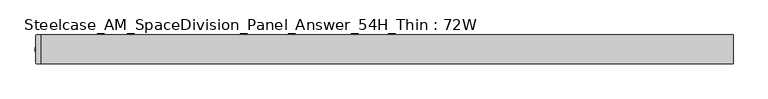
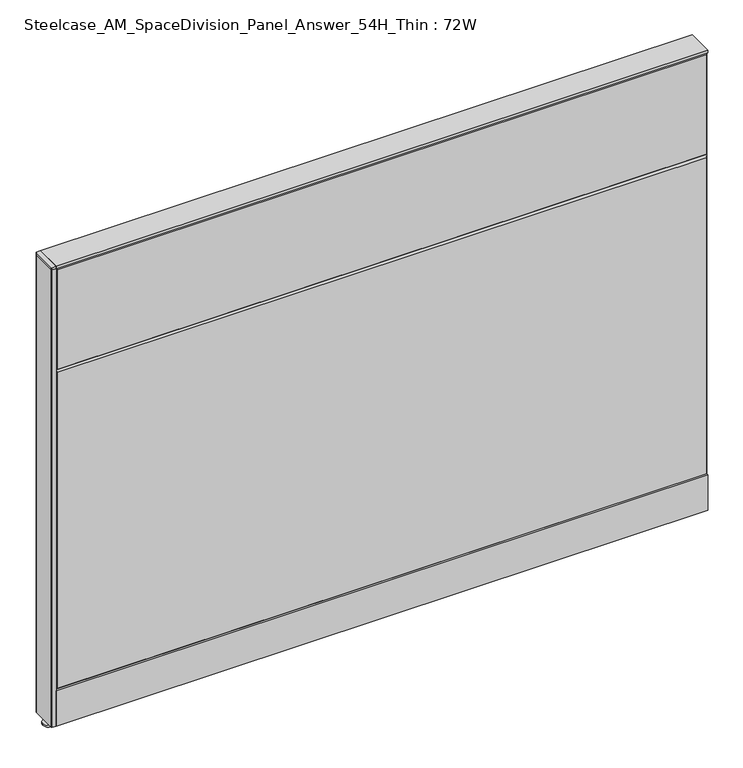
"""IFC4 building model written with IfcOpenShell, lengths in millimetres: furniture geometry, Steelcase_AM_SpaceDivision_Panel_Answer_54H_Thin : 72W."""

from ifc_helpers import new_model, si_unit, point, frame, frame_2d, origin, place, context, project, spatial, polyline, circle_curve, trimmed, segment, composite_curve, outline, extrude, faceted_brep, source, transform, mapped, element, save


def steelcase_am_spacedivision_panel_answer_54h_thin_72w_fabc834c(model_context):
    return source(origin(), model_context, "Body", "SolidModel", [
        extrude(outline(polyline([(37.3075215, 119.8575157), (25.4000011, 119.8575157), (25.4000011, 120.65), (38.1000194, 120.65), (38.1000194, 15.494), (37.3075215, 15.494), (37.3075215, 119.8575157)])), frame((-914.4, 0.0, 0.0), z_axis=(1.0, 0.0, 0.0), x_axis=(0.0, 1.0, 0.0)), (0.0, 0.0, 1.0), 1828.8),
        extrude(outline(polyline([(-37.3075215, 119.8575157), (-37.3075215, 15.494), (-38.1000194, 15.494), (-38.1000194, 120.65), (-25.4000011, 120.65), (-25.4000011, 119.8575157), (-37.3075215, 119.8575157)])), frame((-914.4, 0.0, 0.0), z_axis=(1.0, 0.0, 0.0), x_axis=(0.0, 1.0, 0.0)), (0.0, 0.0, 1.0), 1828.8),
        extrude(outline(composite_curve([segment(trimmed(circle_curve(frame_2d((-914.4, -1.94e-05)), 5.08), [point((-919.48, -1.94e-05))], [point((-909.32, -1.94e-05))], False, "CARTESIAN"), True, "CONTINUOUS"), segment(trimmed(circle_curve(frame_2d((-914.4, -1.94e-05)), 5.08), [point((-909.32, -1.94e-05))], [point((-919.48, -1.94e-05))], False, "CARTESIAN"), True, "CONTINUOUS")], self_intersect=False)), frame((0.0, 0.0, 5.0799671), z_axis=(0.0, 0.0, 1.0), x_axis=(1.0, 0.0, 0.0)), (0.0, 0.0, 1.0), 10.414),
        extrude(outline(composite_curve([segment(trimmed(circle_curve(frame_2d((-914.4, -1.94e-05)), 15.24), [point((-929.64, -1.94e-05))], [point((-899.16, -1.94e-05))], False, "CARTESIAN"), True, "CONTINUOUS"), segment(trimmed(circle_curve(frame_2d((-914.4, -1.94e-05)), 15.24), [point((-899.16, -1.94e-05))], [point((-929.64, -1.94e-05))], False, "CARTESIAN"), True, "CONTINUOUS")], self_intersect=False)), frame((0.0, 0.0, -3.29e-05), z_axis=(0.0, 0.0, 1.0), x_axis=(1.0, 0.0, 0.0)), (0.0, 0.0, 1.0), 5.08),
        extrude(outline(composite_curve([segment(trimmed(circle_curve(frame_2d((-925.322, 36.322)), 1.778), [point((-927.1, 36.322))], [point((-925.322, 38.1))], False, "CARTESIAN"), True, "CONTINUOUS"), segment(polyline([(-925.322, 38.1), (-914.4, 38.1), (-914.4, -38.1), (-925.322, -38.1)]), True, "CONTINUOUS"), segment(trimmed(circle_curve(frame_2d((-925.322, -36.322)), 1.778), [point((-925.322, -38.1))], [point((-927.1, -36.322))], False, "CARTESIAN"), True, "CONTINUOUS"), segment(polyline([(-927.1, -36.322), (-927.1, 36.322)]), True, "CONTINUOUS")], self_intersect=False)), frame((0.0, 0.0, 1371.5999671), z_axis=(0.0, 0.0, 1.0), x_axis=(1.0, 0.0, 0.0)), (0.0, 0.0, 1.0), 6.35),
        extrude(outline(composite_curve([segment(trimmed(circle_curve(frame_2d((-925.322, 36.322)), 1.778), [point((-927.1, 36.322))], [point((-925.322, 38.1))], False, "CARTESIAN"), True, "CONTINUOUS"), segment(polyline([(-925.322, 38.1), (-914.4, 38.1), (-914.4, -38.1), (-925.322, -38.1)]), True, "CONTINUOUS"), segment(trimmed(circle_curve(frame_2d((-925.322, -36.322)), 1.778), [point((-925.322, -38.1))], [point((-927.1, -36.322))], False, "CARTESIAN"), True, "CONTINUOUS"), segment(polyline([(-927.1, -36.322), (-927.1, 36.322)]), True, "CONTINUOUS")], self_intersect=False)), frame((0.0, 0.0, 15.4939671), z_axis=(0.0, 0.0, 1.0), x_axis=(1.0, 0.0, 0.0)), (0.0, 0.0, 1.0), 1356.106),
        faceted_brep([(-909.574, 38.0960552, 1366.774), (909.574, 38.0960552, 1366.774), (909.574, 38.0960552, 1071.626), (-909.574, 38.0960552, 1071.626), (-914.4, 33.2700552, 1371.6), (-914.4, 33.2700552, 1066.8), (914.4, 33.2700552, 1066.8), (914.4, 33.2700552, 1371.6)], [[[0, 1, 2, 3]], [[4, 5, 6, 7]], [[4, 7, 1, 0]], [[7, 6, 2, 1]], [[6, 5, 3, 2]], [[5, 4, 0, 3]]]),
        faceted_brep([(-909.574, 38.0960552, 1061.974), (909.574, 38.0960552, 1061.974), (909.574, 38.0960552, 125.476), (-909.574, 38.0960552, 125.476), (-914.4, 33.2700552, 1066.8), (-914.4, 33.2700552, 120.65), (914.4, 33.2700552, 120.65), (914.4, 33.2700552, 1066.8)], [[[0, 1, 2, 3]], [[4, 5, 6, 7]], [[4, 7, 1, 0]], [[7, 6, 2, 1]], [[6, 5, 3, 2]], [[5, 4, 0, 3]]]),
        faceted_brep([(909.574, -38.0960552, 1366.774), (-909.574, -38.0960552, 1366.774), (-909.574, -38.0960552, 1071.626), (909.574, -38.0960552, 1071.626), (914.4, -33.2700552, 1371.6), (914.4, -33.2700552, 1066.8), (-914.4, -33.2700552, 1066.8), (-914.4, -33.2700552, 1371.6)], [[[0, 1, 2, 3]], [[4, 5, 6, 7]], [[4, 7, 1, 0]], [[7, 6, 2, 1]], [[6, 5, 3, 2]], [[5, 4, 0, 3]]]),
        faceted_brep([(909.574, -38.0960552, 1061.974), (-909.574, -38.0960552, 1061.974), (-909.574, -38.0960552, 125.476), (909.574, -38.0960552, 125.476), (914.4, -33.2700552, 1066.8), (914.4, -33.2700552, 120.65), (-914.4, -33.2700552, 120.65), (-914.4, -33.2700552, 1066.8)], [[[0, 1, 2, 3]], [[4, 5, 6, 7]], [[4, 7, 1, 0]], [[7, 6, 2, 1]], [[6, 5, 3, 2]], [[5, 4, 0, 3]]]),
        extrude(outline(polyline([(914.4, 38.1000194), (914.4, -38.1000194), (-914.4, -38.1000194), (-914.4, 38.1000194), (914.4, 38.1000194)])), frame((0.0, 0.0, 1371.6), z_axis=(0.0, 0.0, 1.0), x_axis=(1.0, 0.0, 0.0)), (0.0, 0.0, 1.0), 6.35),
    ])


if __name__ == "__main__":
    model = new_model("IFC4")
    model_context = context("Model", 3, world=origin())
    ifc_project = project(units=[si_unit("LENGTHUNIT", "METRE", prefix="MILLI")], contexts=[model_context])
    site = spatial("IfcSite", under=ifc_project)
    building = spatial("IfcBuilding", under=site)
    placement = place(None, origin())
    steelcase_am_spacedivision_panel_answer_54h_thin_72w_shape = steelcase_am_spacedivision_panel_answer_54h_thin_72w_fabc834c(model_context)
    element("IfcFurniture", 1, ObjectType="Steelcase_AM_SpaceDivision_Panel_Answer_54H_Thin : 72W", at=placement, inside=building, context=model_context, shape_type="MappedRepresentation", body=[
        mapped(steelcase_am_spacedivision_panel_answer_54h_thin_72w_shape, transform((0.0, 0.0, 0.0), x_axis=(1.0, 0.0, 0.0), y_axis=(0.0, 1.0, 0.0), z_axis=(0.0, 0.0, 1.0))),
    ])
    save(model, "model.ifc")
